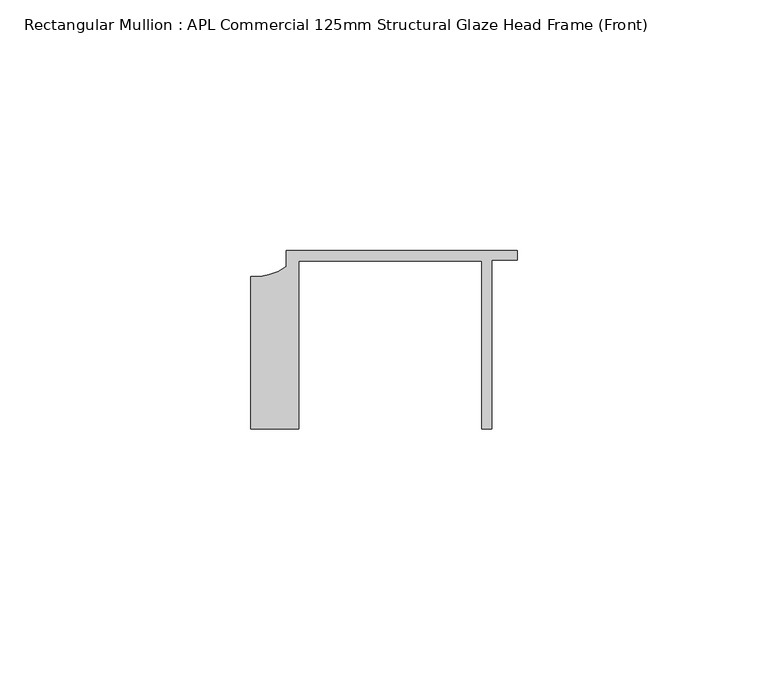
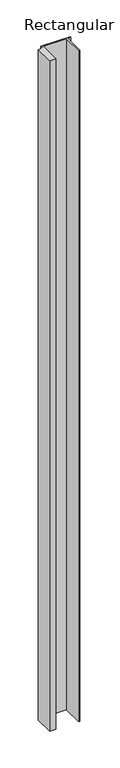
"""IFC4 building model written with IfcOpenShell, lengths in millimetres: member geometry, Rectangular Mullion : APL Commercial 125mm Structural Glaze Head Frame (Front)."""

from ifc_helpers import new_model, si_unit, point, frame, frame_2d, origin, place, context, project, spatial, polyline, circle_curve, trimmed, segment, composite_curve, outline, extrude, source, transform, mapped, element, save


def rectangular_mullion_apl_commercial_125mm_structural_glaze_74ccc95a(model_context):
    return source(origin(), model_context, "Body", "SweptSolid", [
        extrude(outline(composite_curve([segment(polyline([(-52.9999542, -15.0), (-52.9999542, 15.3798304)]), True, "CONTINUOUS"), segment(trimmed(circle_curve(frame_2d((-52.109817, 25.7982641)), 10.4563907), [point((-52.9999542, 15.3798304))], [point((-45.9999994, 17.3126154))], True, "CARTESIAN"), True, "CONTINUOUS"), segment(polyline([(-45.9999994, 17.3126154), (-45.9999994, 20.5002486), (0.0, 20.5002486), (0.0, 18.7002486), (-5.0, 18.7002486), (-5.0, -15.0), (-7.0, -15.0), (-7.0, 18.5002486), (-43.5000151, 18.5002486), (-43.5000151, -15.0), (-52.9999542, -15.0)]), True, "CONTINUOUS")], self_intersect=False)), frame((0.0, 0.0, -1120.7655746), z_axis=(0.0, 0.0, 1.0), x_axis=(1.0, 0.0, 0.0)), (0.0, 0.0, 1.0), 1120.7655746),
    ])


if __name__ == "__main__":
    model = new_model("IFC4")
    model_context = context("Model", 3, world=origin())
    ifc_project = project(units=[si_unit("LENGTHUNIT", "METRE", prefix="MILLI")], contexts=[model_context])
    site = spatial("IfcSite", under=ifc_project)
    building = spatial("IfcBuilding", under=site)
    placement = place(None, origin())
    rectangular_mullion_apl_commercial_125mm_structural_glaze_shape = rectangular_mullion_apl_commercial_125mm_structural_glaze_74ccc95a(model_context)
    element("IfcMember", 1, ObjectType="Rectangular Mullion : APL Commercial 125mm Structural Glaze Head Frame (Front)", at=placement, inside=building, context=model_context, shape_type="MappedRepresentation", body=[
        mapped(rectangular_mullion_apl_commercial_125mm_structural_glaze_shape, transform((0.0, 0.0, 0.0), x_axis=(1.0, 0.0, 0.0), y_axis=(0.0, 1.0, 0.0), z_axis=(0.0, 0.0, 1.0))),
    ])
    save(model, "model.ifc")
